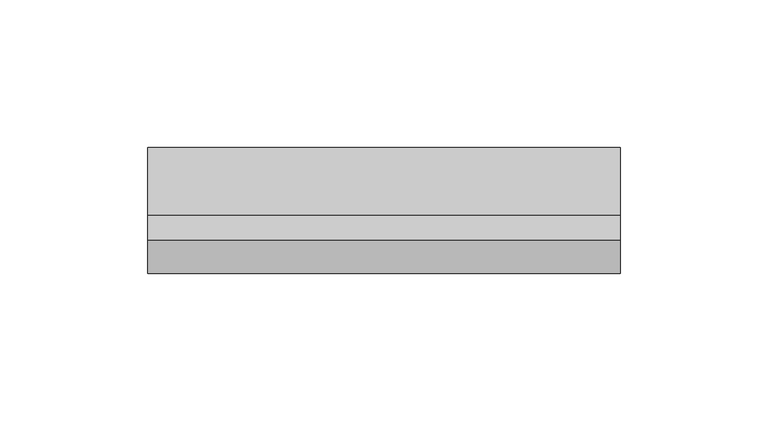
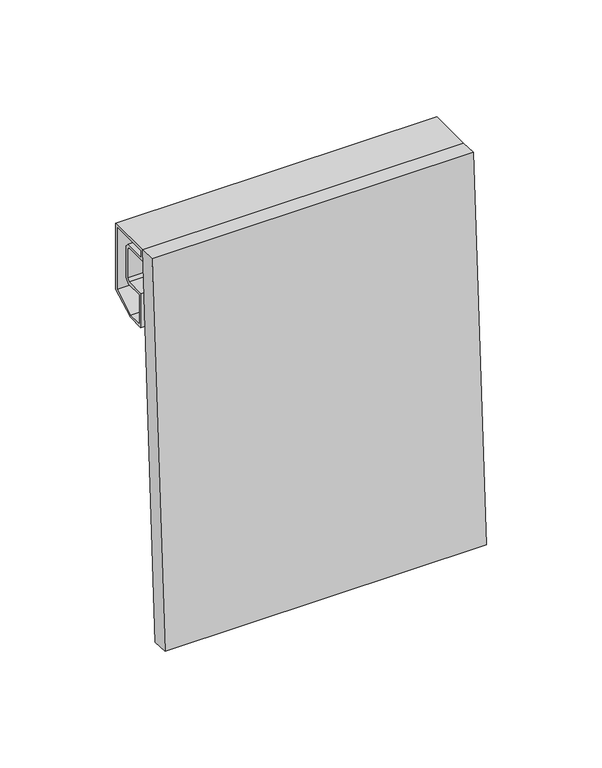
"""IFC4 building model written with IfcOpenShell, lengths in millimetres: plate geometry."""

from ifc_helpers import new_model, si_unit, frame, origin, place, context, project, spatial, polyline, outline, extrude, source, transform, mapped, element, save


def plate_dbeb1cce(model_context):
    return source(origin(), model_context, "Body", "SweptSolid", [
        extrude(outline(polyline([(0.0, 8.5), (160.0, 8.5), (160.0, 0.0), (0.0, 0.0), (0.0, 8.5)])), frame((80.0, -11.0929581, 0.0), z_axis=(0.0, 0.05537967254200552, 0.9984653683874771), x_axis=(-1.0, 0.0, 0.0)), (0.0, 0.0, 1.0), 200.3073981),
        extrude(outline(polyline([(23.0, 165.1685791), (10.3922729, 158.0), (1.5, 158.0), (1.5, 176.0), (11.5857849, 176.0), (13.0, 177.4142151), (13.0, 192.5857849), (11.5857849, 194.0), (0.0, 194.0), (0.0, 200.0), (23.0, 200.0), (23.0, 165.1685791)]), holes=[polyline([(1.5, 198.5), (1.5, 195.5), (12.2071053, 195.5), (14.5, 193.2071053), (14.5, 176.7928947), (12.2071053, 174.5), (3.0, 174.5), (3.0, 159.5), (9.9956483, 159.5), (21.5, 166.0412151), (21.5, 198.5), (1.5, 198.5)])]), frame((-80.0, 0.0, 0.0), z_axis=(1.0, 0.0, 0.0), x_axis=(0.0, 1.0, 0.0)), (0.0, 0.0, 1.0), 160.0),
    ])


if __name__ == "__main__":
    model = new_model("IFC4")
    model_context = context("Model", 3, world=origin())
    ifc_project = project(units=[si_unit("LENGTHUNIT", "METRE", prefix="MILLI")], contexts=[model_context])
    site = spatial("IfcSite", under=ifc_project)
    building = spatial("IfcBuilding", under=site)
    placement = place(None, origin())
    plate_shape = plate_dbeb1cce(model_context)
    element("IfcPlate", 1, at=placement, inside=building, context=model_context, shape_type="MappedRepresentation", body=[
        mapped(plate_shape, transform((0.0, 0.0, 0.0), x_axis=(1.0, 0.0, 0.0), y_axis=(0.0, 1.0, 0.0), z_axis=(0.0, 0.0, 1.0))),
    ])
    save(model, "model.ifc")
